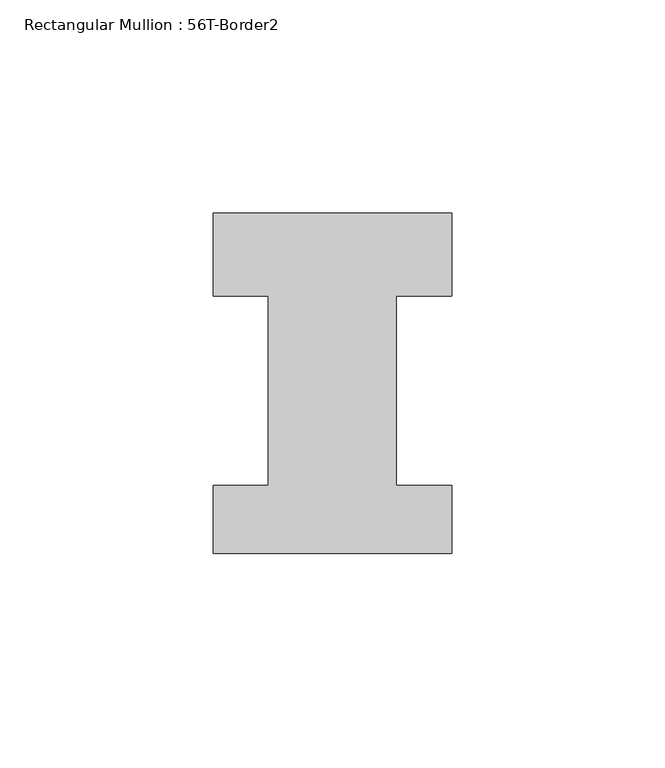
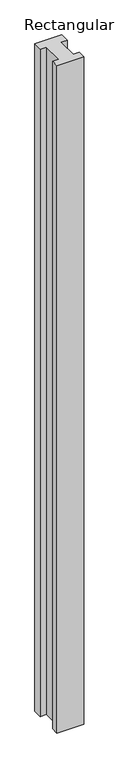
"""IFC4 building model written with IfcOpenShell, lengths in millimetres: member geometry, Rectangular Mullion : 56T-Border2."""

from ifc_helpers import new_model, si_unit, frame, origin, place, context, project, spatial, polyline, outline, extrude, source, transform, mapped, element, save


def rectangular_mullion_56t_border2_02b8c0d3(model_context):
    return source(origin(), model_context, "Body", "SweptSolid", [
        extrude(outline(polyline([(0.0, 20.0), (0.0, 0.5), (-13.0, 0.5), (-13.0, -44.0), (0.0, -44.0), (0.0, -60.0), (-56.0, -60.0), (-56.0, -44.0), (-43.0, -44.0), (-43.0, 0.5), (-56.0, 0.5), (-56.0, 20.0), (0.0, 20.0)])), frame((0.0, 0.0, -1477.534293), z_axis=(0.0, 0.0, 1.0), x_axis=(1.0, 0.0, 0.0)), (0.0, 0.0, 1.0), 1477.534293),
    ])


if __name__ == "__main__":
    model = new_model("IFC4")
    model_context = context("Model", 3, world=origin())
    ifc_project = project(units=[si_unit("LENGTHUNIT", "METRE", prefix="MILLI")], contexts=[model_context])
    site = spatial("IfcSite", under=ifc_project)
    building = spatial("IfcBuilding", under=site)
    placement = place(None, origin())
    rectangular_mullion_56t_border2_shape = rectangular_mullion_56t_border2_02b8c0d3(model_context)
    element("IfcMember", 1, ObjectType="Rectangular Mullion : 56T-Border2", at=placement, inside=building, context=model_context, shape_type="MappedRepresentation", body=[
        mapped(rectangular_mullion_56t_border2_shape, transform((0.0, 0.0, 0.0), x_axis=(1.0, 0.0, 0.0), y_axis=(0.0, 1.0, 0.0), z_axis=(0.0, 0.0, 1.0))),
    ])
    save(model, "model.ifc")
